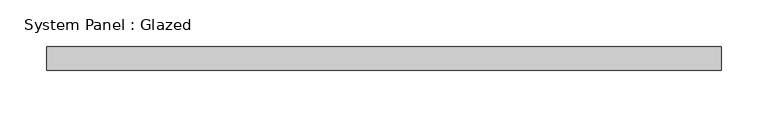
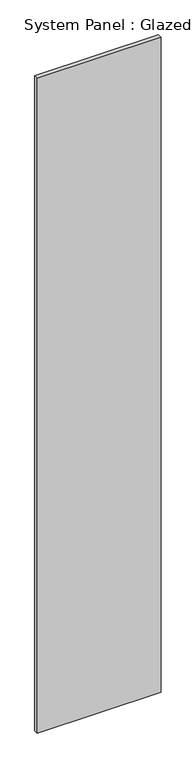
"""IFC4 building model written with IfcOpenShell, lengths in millimetres: plate geometry, System Panel : Glazed."""

from ifc_helpers import new_model, si_unit, origin, origin_with_axes, place, context, project, spatial, polyline, outline, extrude, source, transform, mapped, element, save


def system_panel_glazed_6941b31d(model_context):
    return source(origin(), model_context, "Body", "SweptSolid", [
        extrude(outline(polyline([(359.8264082, -49.5), (-359.8264082, -49.5), (-359.8264082, -24.5), (359.8264082, -24.5), (359.8264082, -49.5)])), origin_with_axes(), (0.0, 0.0, 1.0), 4015.0),
    ])


if __name__ == "__main__":
    model = new_model("IFC4")
    model_context = context("Model", 3, world=origin())
    ifc_project = project(units=[si_unit("LENGTHUNIT", "METRE", prefix="MILLI")], contexts=[model_context])
    site = spatial("IfcSite", under=ifc_project)
    building = spatial("IfcBuilding", under=site)
    placement = place(None, origin())
    system_panel_glazed_shape = system_panel_glazed_6941b31d(model_context)
    element("IfcPlate", 1, ObjectType="System Panel : Glazed", at=placement, inside=building, context=model_context, shape_type="MappedRepresentation", body=[
        mapped(system_panel_glazed_shape, transform((0.0, 0.0, 0.0), x_axis=(1.0, 0.0, 0.0), y_axis=(0.0, 1.0, 0.0), z_axis=(0.0, 0.0, 1.0))),
    ])
    save(model, "model.ifc")
